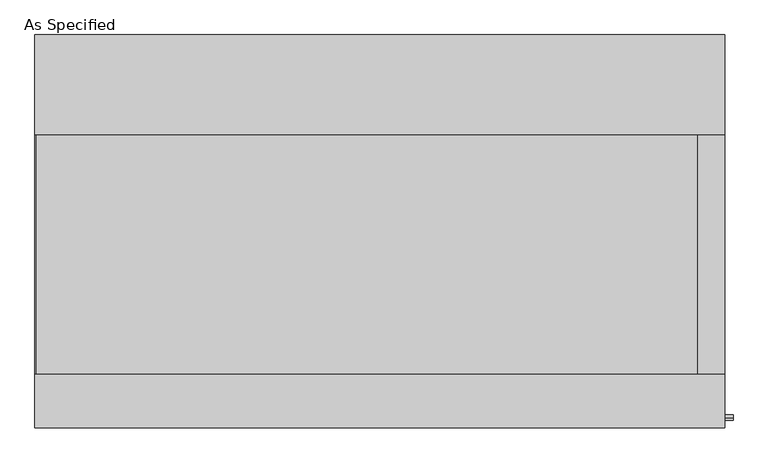
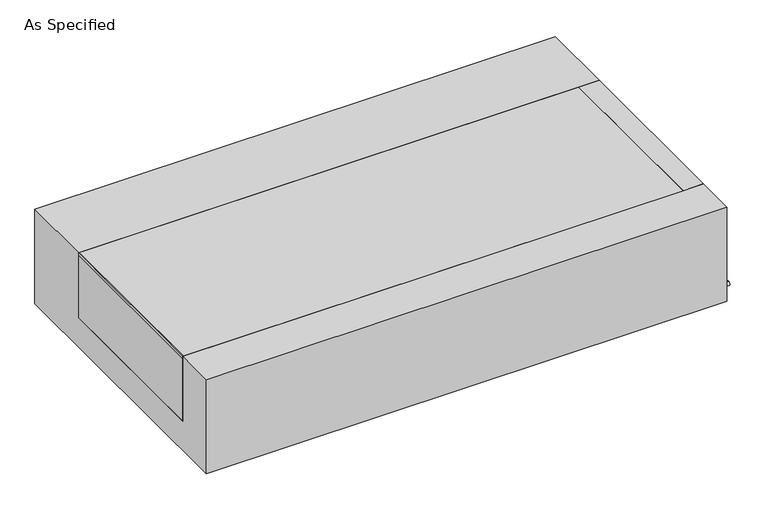
"""IFC4 building model written with IfcOpenShell, lengths in millimetres: proxy geometry, As Specified."""

from ifc_helpers import new_model, si_unit, point, frame, frame_2d, origin, place, context, project, spatial, polyline, circle_curve, trimmed, segment, composite_curve, outline, extrude, source, transform, mapped, element, save


def as_specified_d07e7df6(model_context):
    return source(origin(), model_context, "Body", "SweptSolid", [
        extrude(outline(composite_curve([segment(trimmed(circle_curve(frame_2d((-712.7875, -466.725)), 10.5), [point((-712.7875, -456.225))], [point((-712.7875, -477.225))], False, "CARTESIAN"), True, "CONTINUOUS"), segment(trimmed(circle_curve(frame_2d((-712.7875, -466.725)), 10.5), [point((-712.7875, -477.225))], [point((-712.7875, -456.225))], False, "CARTESIAN"), True, "CONTINUOUS")], self_intersect=False)), frame((1319.2125, 0.0, 0.0), z_axis=(1.0, 0.0, 0.0), x_axis=(0.0, 1.0, 0.0)), (0.0, 0.0, 1.0), 31.8403384),
        extrude(outline(polyline([(1216.81875, -546.1), (1216.81875, 368.3), (1319.2125, 368.3), (1319.2125, -546.1), (1216.81875, -546.1)])), frame((0.0, 0.0, -373.0625), z_axis=(0.0, 0.0, 1.0), x_axis=(1.0, 0.0, 0.0)), (0.0, 0.0, 1.0), 347.6625),
        extrude(outline(polyline([(-1315.24375, -546.1), (-1319.2125, -546.1), (-1319.2125, 368.3), (-1315.24375, 368.3), (-1315.24375, -546.1)])), frame((0.0, 0.0, -39.6875), z_axis=(0.0, 0.0, 1.0), x_axis=(1.0, 0.0, 0.0)), (0.0, 0.0, 1.0), 14.2875),
        extrude(outline(polyline([(1216.81875, 368.3), (1216.81875, -546.1), (-1319.2125, -546.1), (-1319.2125, 368.3), (1216.81875, 368.3)])), frame((0.0, 0.0, -373.0625), z_axis=(0.0, 0.0, 1.0), x_axis=(1.0, 0.0, 0.0)), (0.0, 0.0, 1.0), 347.6625),
        extrude(outline(polyline([(752.475, -25.4), (752.475, -530.225), (-752.475, -530.225), (-752.475, -25.4), (-546.1, -25.4), (-546.1, -373.0625), (368.3, -373.0625), (368.3, -25.4), (752.475, -25.4)])), frame((-1319.2125, 0.0, 0.0), z_axis=(1.0, 0.0, 0.0), x_axis=(0.0, 1.0, 0.0)), (0.0, 0.0, 1.0), 2638.425),
    ])


if __name__ == "__main__":
    model = new_model("IFC4")
    model_context = context("Model", 3, world=origin())
    ifc_project = project(units=[si_unit("LENGTHUNIT", "METRE", prefix="MILLI")], contexts=[model_context])
    site = spatial("IfcSite", under=ifc_project)
    building = spatial("IfcBuilding", under=site)
    placement = place(None, origin())
    as_specified_shape = as_specified_d07e7df6(model_context)
    element("IfcBuildingElementProxy", 1, Name="As Specified", ObjectType="As Specified", at=placement, inside=building, context=model_context, shape_type="MappedRepresentation", body=[
        mapped(as_specified_shape, transform((0.0, 0.0, 0.0), x_axis=(1.0, 0.0, 0.0), y_axis=(0.0, 1.0, 0.0), z_axis=(0.0, 0.0, 1.0))),
    ])
    save(model, "model.ifc")
